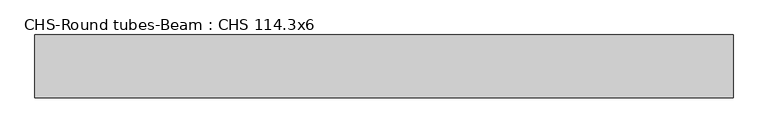
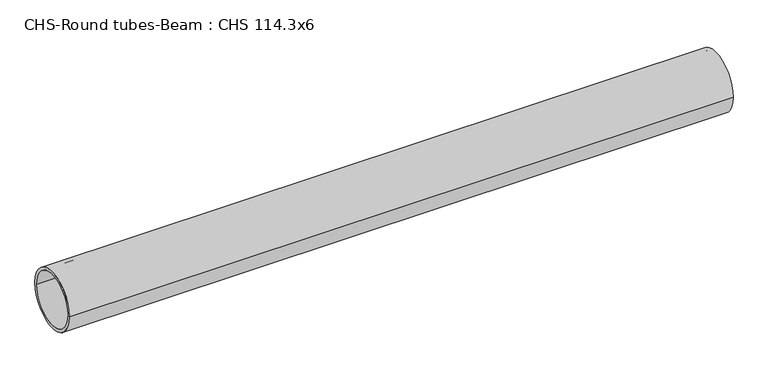
"""IFC4 building model written with IfcOpenShell, lengths in millimetres: beam geometry, CHS-Round tubes-Beam : CHS 114.3x6."""

from ifc_helpers import new_model, si_unit, point, frame, origin, origin_2d, place, context, project, spatial, circle_curve, trimmed, segment, composite_curve, outline, extrude, source, transform, mapped, element, save


def chs_round_tubes_beam_chs_114_3x6_8f7a5009(model_context):
    return source(origin(), model_context, "Body", "SweptSolid", [
        extrude(outline(composite_curve([segment(trimmed(circle_curve(origin_2d(), 57.15), [point((57.15, 0.0))], [point((-57.15, 0.0))], False, "CARTESIAN"), True, "CONTINUOUS"), segment(trimmed(circle_curve(origin_2d(), 57.15), [point((-57.15, 0.0))], [point((57.15, 0.0))], False, "CARTESIAN"), True, "CONTINUOUS")], self_intersect=False), holes=[composite_curve([segment(trimmed(circle_curve(origin_2d(), 51.15), [point((51.15, 0.0))], [point((-51.15, 0.0))], True, "CARTESIAN"), True, "CONTINUOUS"), segment(trimmed(circle_curve(origin_2d(), 51.15), [point((-51.15, 0.0))], [point((51.15, 0.0))], True, "CARTESIAN"), True, "CONTINUOUS")], self_intersect=False)]), frame((-639.389837, 0.0, 0.0), z_axis=(1.0, 0.0, 0.0), x_axis=(0.0, 1.0, 0.0)), (0.0, 0.0, 1.0), 1271.2353102),
    ])


if __name__ == "__main__":
    model = new_model("IFC4")
    model_context = context("Model", 3, world=origin())
    ifc_project = project(units=[si_unit("LENGTHUNIT", "METRE", prefix="MILLI")], contexts=[model_context])
    site = spatial("IfcSite", under=ifc_project)
    building = spatial("IfcBuilding", under=site)
    placement = place(None, origin())
    chs_round_tubes_beam_chs_114_3x6_shape = chs_round_tubes_beam_chs_114_3x6_8f7a5009(model_context)
    element("IfcBeam", 1, ObjectType="CHS-Round tubes-Beam : CHS 114.3x6", at=placement, inside=building, context=model_context, shape_type="MappedRepresentation", body=[
        mapped(chs_round_tubes_beam_chs_114_3x6_shape, transform((0.0, 0.0, 0.0), x_axis=(1.0, 0.0, 0.0), y_axis=(0.0, 1.0, 0.0), z_axis=(0.0, 0.0, 1.0))),
    ])
    save(model, "model.ifc")
